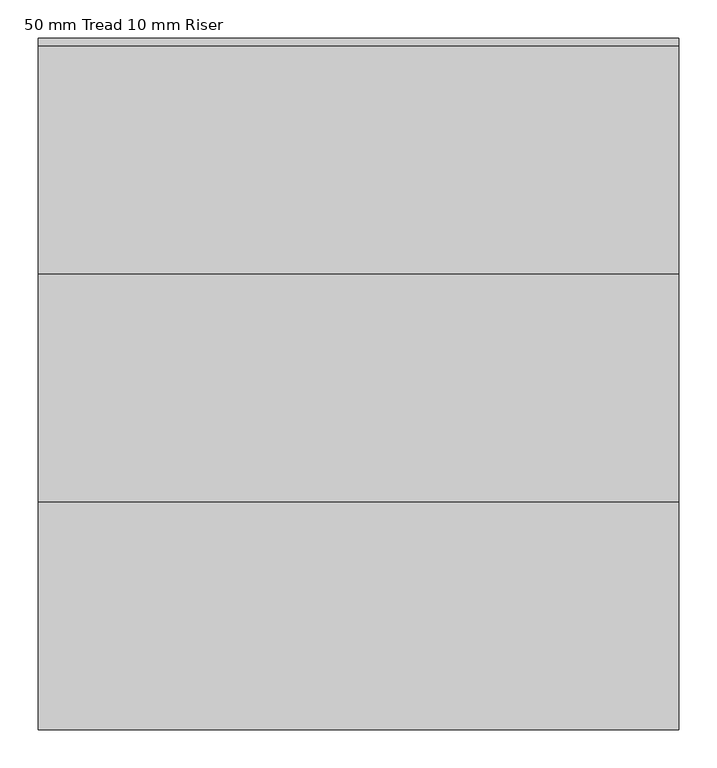
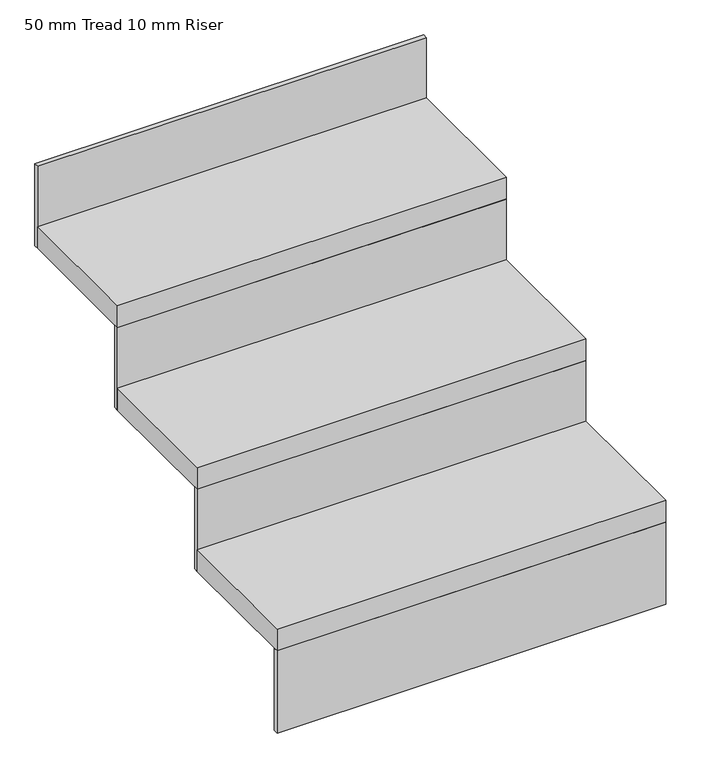
"""IFC4 building model written with IfcOpenShell, lengths in millimetres: stair flight geometry, 50 mm Tread 10 mm Riser."""

from ifc_helpers import new_model, si_unit, frame, origin, place, context, project, spatial, polyline, outline, extrude, source, transform, mapped, element, save


def stair_flight_50_mm_tread_10_mm_riser_19625085(model_context):
    return source(origin(), model_context, "Body", "SweptSolid", [
        extrude(outline(polyline([(432.2200888, 3041.4785253), (432.2200888, 3031.4785253), (-410.8209116, 3031.4785253), (-410.8209116, 3041.4785253), (432.2200888, 3041.4785253)])), frame((0.0, 0.0, 1795.7142857), z_axis=(0.0, 0.0, 1.0), x_axis=(1.0, 0.0, 0.0)), (0.0, 0.0, 1.0), 188.5714286),
        extrude(outline(polyline([(-410.8209116, 3331.4785253), (432.2200888, 3331.4785253), (432.2200888, 3031.4785253), (-410.8209116, 3031.4785253), (-410.8209116, 3331.4785253)])), frame((0.0, 0.0, 1984.2857143), z_axis=(0.0, 0.0, 1.0), x_axis=(1.0, 0.0, 0.0)), (0.0, 0.0, 1.0), 50.0),
        extrude(outline(polyline([(432.2200888, 3341.4785253), (432.2200888, 3331.4785253), (-410.8209116, 3331.4785253), (-410.8209116, 3341.4785253), (432.2200888, 3341.4785253)])), frame((0.0, 0.0, 1984.2857143), z_axis=(0.0, 0.0, 1.0), x_axis=(1.0, 0.0, 0.0)), (0.0, 0.0, 1.0), 188.5714286),
        extrude(outline(polyline([(-410.8209116, 3631.4785253), (432.2200888, 3631.4785253), (432.2200888, 3331.4785253), (-410.8209116, 3331.4785253), (-410.8209116, 3631.4785253)])), frame((0.0, 0.0, 2172.8571429), z_axis=(0.0, 0.0, 1.0), x_axis=(1.0, 0.0, 0.0)), (0.0, 0.0, 1.0), 50.0),
        extrude(outline(polyline([(432.2200888, 3641.4785253), (432.2200888, 3631.4785253), (-410.8209116, 3631.4785253), (-410.8209116, 3641.4785253), (432.2200888, 3641.4785253)])), frame((0.0, 0.0, 2172.8571429), z_axis=(0.0, 0.0, 1.0), x_axis=(1.0, 0.0, 0.0)), (0.0, 0.0, 1.0), 188.5714286),
        extrude(outline(polyline([(-410.8209116, 3931.4785253), (432.2200888, 3931.4785253), (432.2200888, 3631.4785253), (-410.8209116, 3631.4785253), (-410.8209116, 3931.4785253)])), frame((0.0, 0.0, 2361.4285714), z_axis=(0.0, 0.0, 1.0), x_axis=(1.0, 0.0, 0.0)), (0.0, 0.0, 1.0), 50.0),
        extrude(outline(polyline([(432.2200888, 3941.4785253), (432.2200888, 3931.4785253), (-410.8209116, 3931.4785253), (-410.8209116, 3941.4785253), (432.2200888, 3941.4785253)])), frame((0.0, 0.0, 2361.4285714), z_axis=(0.0, 0.0, 1.0), x_axis=(1.0, 0.0, 0.0)), (0.0, 0.0, 1.0), 188.5714286),
    ])


if __name__ == "__main__":
    model = new_model("IFC4")
    model_context = context("Model", 3, world=origin())
    ifc_project = project(units=[si_unit("LENGTHUNIT", "METRE", prefix="MILLI")], contexts=[model_context])
    site = spatial("IfcSite", under=ifc_project)
    building = spatial("IfcBuilding", under=site)
    placement = place(None, origin())
    stair_flight_50_mm_tread_10_mm_riser_shape = stair_flight_50_mm_tread_10_mm_riser_19625085(model_context)
    element("IfcStairFlight", 1, ObjectType="50 mm Tread 10 mm Riser", at=placement, inside=building, context=model_context, shape_type="MappedRepresentation", body=[
        mapped(stair_flight_50_mm_tread_10_mm_riser_shape, transform((0.0, 0.0, 0.0), x_axis=(1.0, 0.0, 0.0), y_axis=(0.0, 1.0, 0.0), z_axis=(0.0, 0.0, 1.0))),
    ])
    save(model, "model.ifc")
